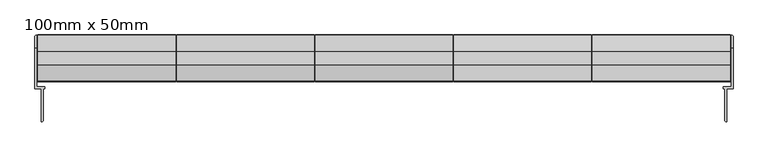
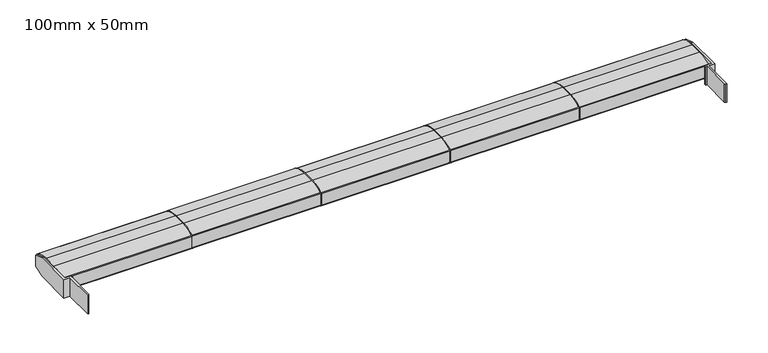
"""IFC4 building model written with IfcOpenShell, lengths in millimetres: plate geometry, 100mm x 50mm."""

import ifcopenshell
import ifcopenshell.guid

model = None  # the IFC model being written
_history = None  # IfcOwnerHistory: only IFC2X3 demands one
_inside = {}  # id of a spatial element -> (the spatial element, [elements in it])
_under = {}  # id of a project, library or spatial element -> (it, [spatial elements below it])
_declared = {}  # id of a project -> (the project, [libraries it declares])
_typed = {}  # id of a type object -> (the type object, [elements of that type])
_made_of = {}  # id of a material, layer set ... -> (it, [elements and type objects made of it])


def new_model(schema):
    """Start an empty IFC model of exactly this schema.

    Asked for "IFC4X3", IfcOpenShell would pick the latest addendum, in which some entities
    have other attributes; the version numbers below select the first issue.
    IFC2X3 requires an IfcOwnerHistory on every rooted entity: one is made here for all.
    """
    global model, _history
    if schema == "IFC4X3":
        model = ifcopenshell.file(schema_version=(4, 3, 0, 0))
    else:
        model = ifcopenshell.file(schema=schema)
    _inside.clear()
    _under.clear()
    _declared.clear()
    _typed.clear()
    _made_of.clear()
    _history = None
    if model.schema == "IFC2X3":
        org = make("IfcOrganization", Name="unknown")
        user = make(
            "IfcPersonAndOrganization",
            ThePerson=make("IfcPerson", FamilyName="unknown"),
            TheOrganization=org,
        )
        app = make(
            "IfcApplication",
            ApplicationDeveloper=org,
            Version="unknown",
            ApplicationFullName="unknown",
            ApplicationIdentifier="unknown",
        )
        _history = make(
            "IfcOwnerHistory",
            OwningUser=user,
            OwningApplication=app,
            ChangeAction="ADDED",
            CreationDate=0,
        )
    return model


def make(cls, **values):
    """One entity of the class cls with the attributes given. An attribute that is None is left unset."""
    return model.create_entity(
        cls, **{name: value for name, value in values.items() if value is not None}
    )


def rooted(cls, **values):
    """An entity with a GlobalId (a new one), such as an element, a storey or a relation."""
    return make(cls, GlobalId=ifcopenshell.guid.new(), OwnerHistory=_history, **values)


def si_unit(unit_type, name, prefix=None):
    """IfcSIUnit, for example si_unit("LENGTHUNIT", "METRE", prefix="MILLI")."""
    return make("IfcSIUnit", UnitType=unit_type, Prefix=prefix, Name=name)


def assignment(units):
    """IfcUnitAssignment: the units of a project."""
    return None if units is None else make("IfcUnitAssignment", Units=units)


def point(xyz):
    """IfcCartesianPoint."""
    return None if xyz is None else make("IfcCartesianPoint", Coordinates=xyz)


def direction(xyz):
    """IfcDirection."""
    return None if xyz is None else make("IfcDirection", DirectionRatios=xyz)


def frame(location, z_axis=None, x_axis=None):
    """IfcAxis2Placement3D, a coordinate frame: its origin and axes. An axis left out is left unset."""
    return make(
        "IfcAxis2Placement3D",
        Location=point(location),
        Axis=direction(z_axis),
        RefDirection=direction(x_axis),
    )


def frame_2d(location, x_axis=None):
    """IfcAxis2Placement2D, a coordinate frame in the plane: its origin and x axis."""
    return make(
        "IfcAxis2Placement2D", Location=point(location), RefDirection=direction(x_axis)
    )


def origin():
    """The frame at (0, 0, 0) with its axes left unset."""
    return frame((0.0, 0.0, 0.0))


def place(relative_to, where):
    """IfcLocalPlacement: puts the frame where relative to a parent placement (None: the world)."""
    return make(
        "IfcLocalPlacement", PlacementRelTo=relative_to, RelativePlacement=where
    )


def context(
    kind, dimensions, precision=None, world=None, true_north=None, identifier=None
):
    """IfcGeometricRepresentationContext, for example the 3D "Model" context."""
    return make(
        "IfcGeometricRepresentationContext",
        ContextIdentifier=identifier,
        ContextType=kind,
        CoordinateSpaceDimension=dimensions,
        Precision=precision,
        WorldCoordinateSystem=world,
        TrueNorth=true_north,
    )


def project(units=None, contexts=None):
    """IfcProject with its units and contexts."""
    return rooted(
        "IfcProject",
        Name="project",
        RepresentationContexts=contexts,
        UnitsInContext=assignment(units),
    )


def spatial(cls, under=None, at=None, **own):
    """A site, building, storey or space (cls), placed at a placement, below another one or the project."""
    s = rooted(cls, ObjectPlacement=at, **own)
    if under is not None:
        _under.setdefault(under.id(), (under, []))[1].append(s)
    return s


def polyline(points):
    """IfcPolyline through the points."""
    return make("IfcPolyline", Points=[point(p) for p in points])


def circle_curve(where, radius):
    """IfcCircle in the frame where."""
    return make("IfcCircle", Position=where, Radius=radius)


def trimmed(basis, trim1, trim2, sense, master):
    """IfcTrimmedCurve: the piece of a basis curve between two trims."""
    return make(
        "IfcTrimmedCurve",
        BasisCurve=basis,
        Trim1=trim1,
        Trim2=trim2,
        SenseAgreement=sense,
        MasterRepresentation=master,
    )


def segment(curve, same_sense, transition):
    """IfcCompositeCurveSegment."""
    return make(
        "IfcCompositeCurveSegment",
        Transition=transition,
        SameSense=same_sense,
        ParentCurve=curve,
    )


def composite_curve(segments, self_intersect=None):
    """IfcCompositeCurve: segments joined end to end."""
    return make("IfcCompositeCurve", Segments=segments, SelfIntersect=self_intersect)


def outline(outer, holes=None, kind="AREA"):
    """IfcArbitraryClosedProfileDef: a profile drawn as a closed curve; with holes, ...WithVoids."""
    if holes is None:
        return make("IfcArbitraryClosedProfileDef", ProfileType=kind, OuterCurve=outer)
    return make(
        "IfcArbitraryProfileDefWithVoids",
        ProfileType=kind,
        OuterCurve=outer,
        InnerCurves=holes,
    )


def extrude(swept, where, along, depth):
    """IfcExtrudedAreaSolid: the profile swept, set in the frame where, extruded along a direction by depth."""
    return make(
        "IfcExtrudedAreaSolid",
        SweptArea=swept,
        Position=where,
        ExtrudedDirection=direction(along),
        Depth=depth,
    )


def faces_of(points, faces, orient=None, outer=None):
    """IfcFace entities. A face is a list of loops; a loop is a list of indices into points, from 0.

    orient and outer hold one flag for each loop. By default every Orientation is true, the
    first loop of a face is its IfcFaceOuterBound and the others are IfcFaceBound.
    """
    made = []
    for i, loops in enumerate(faces):
        bounds = []
        for j, loop in enumerate(loops):
            is_outer = j == 0 if outer is None else outer[i][j]
            bounds.append(
                make(
                    "IfcFaceOuterBound" if is_outer else "IfcFaceBound",
                    Bound=make("IfcPolyLoop", Polygon=[points[k] for k in loop]),
                    Orientation=True if orient is None else orient[i][j],
                )
            )
        made.append(make("IfcFace", Bounds=bounds))
    return made


def faceted_brep(points, faces, orient=None, outer=None, voids=None):
    """IfcFacetedBrep: a solid bounded by flat faces; with voids (closed shells), ...WithVoids."""
    shared = [point(p) for p in points]
    hull = make("IfcClosedShell", CfsFaces=faces_of(shared, faces, orient, outer))
    if voids is None:
        return make("IfcFacetedBrep", Outer=hull)
    return make(
        "IfcFacetedBrepWithVoids",
        Outer=hull,
        Voids=[
            make(cls, CfsFaces=faces_of(shared, fs, o, b)) for cls, fs, o, b in voids
        ],
    )


def shape(context_of_items, identifier, shape_type, items):
    """IfcShapeRepresentation: the items that make up one representation, for example the "Body"."""
    return make(
        "IfcShapeRepresentation",
        ContextOfItems=context_of_items,
        RepresentationIdentifier=identifier,
        RepresentationType=shape_type,
        Items=items,
    )


def source(mapping_origin, context_of_items, identifier, shape_type, items):
    """IfcRepresentationMap: a shape defined once, which mapped items show again and again."""
    return make(
        "IfcRepresentationMap",
        MappingOrigin=mapping_origin,
        MappedRepresentation=shape(context_of_items, identifier, shape_type, items),
    )


def transform(
    local_origin,
    x_axis=None,
    y_axis=None,
    z_axis=None,
    scale=None,
    scale2=None,
    scale3=None,
    uniform=True,
):
    """IfcCartesianTransformationOperator3D, or its non-uniform kind. x_axis, y_axis, z_axis: its Axis1, 2, 3."""
    if uniform:
        return make(
            "IfcCartesianTransformationOperator3D",
            Axis1=direction(x_axis),
            Axis2=direction(y_axis),
            LocalOrigin=point(local_origin),
            Scale=scale,
            Axis3=direction(z_axis),
        )
    return make(
        "IfcCartesianTransformationOperator3DnonUniform",
        Axis1=direction(x_axis),
        Axis2=direction(y_axis),
        LocalOrigin=point(local_origin),
        Scale=scale,
        Axis3=direction(z_axis),
        Scale2=scale2,
        Scale3=scale3,
    )


def mapped(mapping_source, mapping_target):
    """IfcMappedItem: shows the shape of a source again, moved by a transform."""
    return make(
        "IfcMappedItem", MappingSource=mapping_source, MappingTarget=mapping_target
    )


def made_of(thing, what):
    """Note that an element or type object is made of a material, layer set ...; save() writes the relation."""
    if what is not None:
        _made_of.setdefault(what.id(), (what, []))[1].append(thing)
    return thing


def element(
    cls,
    number,
    at=None,
    inside=None,
    cuts=None,
    type_object=None,
    material=None,
    context=None,
    identifier="Body",
    shape_type=None,
    held_by="IfcProductDefinitionShape",
    body=None,
    shapes=None,
    **own,
):
    """One element of the class cls, such as IfcWall. Its Tag is "e" and its number.

    at: its placement. inside: the storey or other place that contains it. cuts: it is an
    opening in that element (IfcRelVoidsElement). A single representation is given by context,
    identifier, shape_type and body (its items); several are given by shapes. held_by: the class
    of the entity that holds the representations. save() writes the other relations.
    """
    e = rooted(cls, Tag="e%d" % number, ObjectPlacement=at, **own)
    if body is not None:
        shapes = [shape(context, identifier, shape_type, body)]
    if shapes is not None:
        e.Representation = make(held_by, Representations=shapes)
    if inside is not None:
        _inside.setdefault(inside.id(), (inside, []))[1].append(e)
    if cuts is not None:
        rooted(
            "IfcRelVoidsElement", RelatingBuildingElement=cuts, RelatedOpeningElement=e
        )
    if type_object is not None:
        _typed.setdefault(type_object.id(), (type_object, []))[1].append(e)
    return made_of(e, material)


def aggregate(whole, parts):
    """IfcRelAggregates: a whole, such as a stair, and the parts it consists of."""
    return rooted("IfcRelAggregates", RelatingObject=whole, RelatedObjects=parts)


def save(model, path):
    """Write the relations noted so far, then the file.

    IfcRelAggregates (storeys below a building ...), IfcRelContainedInSpatialStructure (elements
    in a storey), IfcRelDefinesByType, IfcRelAssociatesMaterial and IfcRelDeclares: one each for
    every whole, place, type object, material and project.
    """
    for whole, parts in _under.values():
        aggregate(whole, parts)
    for where, things in _inside.values():
        rooted(
            "IfcRelContainedInSpatialStructure",
            RelatedElements=things,
            RelatingStructure=where,
        )
    for kind, things in _typed.values():
        rooted("IfcRelDefinesByType", RelatedObjects=things, RelatingType=kind)
    for what, things in _made_of.values():
        rooted("IfcRelAssociatesMaterial", RelatedObjects=things, RelatingMaterial=what)
    for by, libraries in _declared.values():
        rooted("IfcRelDeclares", RelatingContext=by, RelatedDefinitions=libraries)
    model.write(path)


def plate_100mm_x_50mm_411dbc1b(model_context):
    return source(origin(), model_context, "Body", "SolidModel", [
        faceted_brep([(-746.0000001, 106.7422404, 20.7316945), (-746.0000001, 193.3258824, 20.7316945), (-742.0000001, 193.3258824, 20.7316945), (-742.0000001, 110.7422404, 20.7316945), (-725.5000001, 110.7422404, 20.7316945), (-725.5000001, 106.7422404, 20.7316945), (-728.5000001, 106.7422404, 20.7316945), (-728.5000001, 37.7422404, 20.7316945), (-730.5000001, 35.7422404, 20.7316945), (-732.5000001, 35.7422404, 20.7316945), (-732.5000001, 106.7422404, 20.7316945), (-742.0000001, 110.7422404, 65.7316945), (-742.0000001, 193.3258824, 65.7316945), (-746.0000001, 193.3258824, 65.7316945), (-746.0000001, 106.7422404, 65.7316945), (-732.5000001, 106.7422404, 65.7316945), (-732.5000001, 35.7422404, 65.7316945), (-730.5000001, 35.7422404, 65.7316945), (-728.5000001, 37.7422404, 65.7316945), (-728.5000001, 106.7422404, 65.7316945), (-725.5000001, 106.7422404, 65.7316945), (-725.5000001, 110.7422404, 65.7316945), (-746.0000001, 218.7422404, 56.9247114), (-746.0000001, 218.7422404, 29.5386776), (-742.0000001, 220.7422404, 30.2316945), (-742.0000001, 220.7422404, 56.2316945), (-744.0000001, 220.7422404, 30.2316945), (-744.0000001, 220.7422404, 56.2316945)], [[[0, 1, 2, 3, 4, 5, 6, 7, 8, 9, 10]], [[11, 12, 13, 14, 15, 16, 17, 18, 19, 20, 21]], [[14, 13, 22, 23, 1, 0]], [[10, 15, 14, 0]], [[9, 16, 15, 10]], [[8, 17, 16, 9]], [[7, 18, 17, 8]], [[6, 19, 18, 7]], [[5, 20, 19, 6]], [[4, 21, 20, 5]], [[3, 11, 21, 4]], [[3, 2, 24, 25, 12, 11]], [[24, 26, 27, 25]], [[22, 27, 26, 23]], [[12, 25, 27, 22, 13]], [[1, 23, 26, 24, 2]]]),
        faceted_brep([(746.0000001, 106.7422404, 20.7316945), (732.5000001, 106.7422404, 20.7316945), (732.5000001, 35.7422404, 20.7316945), (730.5000001, 35.7422404, 20.7316945), (728.5000001, 37.7422404, 20.7316945), (728.5000001, 106.7422404, 20.7316945), (725.5000001, 106.7422404, 20.7316945), (725.5000001, 110.7422404, 20.7316945), (742.0000001, 110.7422404, 20.7316945), (742.0000001, 193.3258824, 20.7316945), (746.0000001, 193.3258824, 20.7316945), (742.0000001, 110.7422404, 65.7316945), (725.5000001, 110.7422404, 65.7316945), (725.5000001, 106.7422404, 65.7316945), (728.5000001, 106.7422404, 65.7316945), (728.5000001, 37.7422404, 65.7316945), (730.5000001, 35.7422404, 65.7316945), (732.5000001, 35.7422404, 65.7316945), (732.5000001, 106.7422404, 65.7316945), (746.0000001, 106.7422404, 65.7316945), (746.0000001, 193.3258824, 65.7316945), (742.0000001, 193.3258824, 65.7316945), (746.0000001, 218.7422404, 29.5386776), (746.0000001, 218.7422404, 56.9247114), (742.0000001, 220.7422404, 56.2316945), (742.0000001, 220.7422404, 30.2316945), (744.0000001, 220.7422404, 56.2316945), (744.0000001, 220.7422404, 30.2316945)], [[[0, 1, 2, 3, 4, 5, 6, 7, 8, 9, 10]], [[11, 12, 13, 14, 15, 16, 17, 18, 19, 20, 21]], [[19, 0, 10, 22, 23, 20]], [[1, 0, 19, 18]], [[2, 1, 18, 17]], [[3, 2, 17, 16]], [[4, 3, 16, 15]], [[5, 4, 15, 14]], [[6, 5, 14, 13]], [[7, 6, 13, 12]], [[8, 7, 12, 11]], [[8, 11, 21, 24, 25, 9]], [[25, 24, 26, 27]], [[23, 22, 27, 26]], [[21, 20, 23, 26, 24]], [[10, 9, 25, 27, 22]]]),
        extrude(outline(composite_curve([segment(trimmed(circle_curve(frame_2d((186.7, -1.4683055)), 67.5), [point((186.7, 66.0316945))], [point((220.7076336, 56.8389055))], False, "CARTESIAN"), True, "CONTINUOUS"), segment(trimmed(circle_curve(frame_2d((219.7, 55.1112845)), 2.0), [point((220.7076336, 56.8389055))], [point((221.7, 55.1112845))], False, "CARTESIAN"), True, "CONTINUOUS"), segment(polyline([(221.7, 55.1112845), (221.7, 26.9521046)]), True, "CONTINUOUS"), segment(trimmed(circle_curve(frame_2d((219.7, 26.9521046)), 2.0), [point((221.7, 26.9521046))], [point((220.7076336, 25.2244835))], False, "CARTESIAN"), True, "CONTINUOUS"), segment(trimmed(circle_curve(frame_2d((186.7, 83.5316945)), 67.5), [point((220.7076336, 25.2244835))], [point((186.7, 16.0316945))], False, "CARTESIAN"), True, "CONTINUOUS"), segment(polyline([(186.7, 16.0316945), (156.7, 16.0316945)]), True, "CONTINUOUS"), segment(trimmed(circle_curve(frame_2d((156.7, 83.5316945)), 67.5), [point((156.7, 16.0316945))], [point((122.6923664, 25.2244835))], False, "CARTESIAN"), True, "CONTINUOUS"), segment(trimmed(circle_curve(frame_2d((123.7, 26.9521046)), 2.0), [point((122.6923664, 25.2244835))], [point((121.7, 26.9521046))], False, "CARTESIAN"), True, "CONTINUOUS"), segment(polyline([(121.7, 26.9521046), (121.7, 55.1112845)]), True, "CONTINUOUS"), segment(trimmed(circle_curve(frame_2d((123.7, 55.1112845)), 2.0), [point((121.7, 55.1112845))], [point((122.6923664, 56.8389055))], False, "CARTESIAN"), True, "CONTINUOUS"), segment(trimmed(circle_curve(frame_2d((156.7, -1.4683055)), 67.5), [point((122.6923664, 56.8389055))], [point((156.7, 66.0316945))], False, "CARTESIAN"), True, "CONTINUOUS"), segment(polyline([(156.7, 66.0316945), (186.7, 66.0316945)]), True, "CONTINUOUS")], self_intersect=False), holes=[composite_curve([segment(polyline([(146.7, 26.8836478), (146.7, 55.1797412)]), True, "CONTINUOUS"), segment(trimmed(circle_curve(frame_2d((171.7, -52.9683055)), 111.0), [point((146.7, 55.1797412))], [point((130.7, 50.1820702))], True, "CARTESIAN"), True, "CONTINUOUS"), segment(polyline([(130.7, 50.1820702), (130.7, 31.8813188)]), True, "CONTINUOUS"), segment(trimmed(circle_curve(frame_2d((171.7, 135.0316945)), 111.0), [point((130.7, 31.8813188))], [point((146.7, 26.8836478))], True, "CARTESIAN"), True, "CONTINUOUS")], self_intersect=False), polyline([(186.7, 26.0316945), (186.7, 56.0316945), (156.7, 56.0316945), (156.7, 26.0316945), (186.7, 26.0316945)]), composite_curve([segment(trimmed(circle_curve(frame_2d((171.7, 135.0316945)), 111.0), [point((196.7, 26.8836478))], [point((212.7, 31.8813188))], True, "CARTESIAN"), True, "CONTINUOUS"), segment(polyline([(212.7, 31.8813188), (212.7, 50.1820702)]), True, "CONTINUOUS"), segment(trimmed(circle_curve(frame_2d((171.7, -52.9683055)), 111.0), [point((212.7, 50.1820702))], [point((196.7, 55.1797412))], True, "CARTESIAN"), True, "CONTINUOUS"), segment(polyline([(196.7, 55.1797412), (196.7, 26.8836478)]), True, "CONTINUOUS")], self_intersect=False)]), frame((445.0, 0.0, 0.0), z_axis=(1.0, 0.0, 0.0), x_axis=(0.0, 1.0, 0.0)), (0.0, 0.0, 1.0), 295.0),
        extrude(outline(composite_curve([segment(trimmed(circle_curve(frame_2d((186.7, -1.4683055)), 67.5), [point((186.7, 66.0316945))], [point((220.7076336, 56.8389055))], False, "CARTESIAN"), True, "CONTINUOUS"), segment(trimmed(circle_curve(frame_2d((219.7, 55.1112845)), 2.0), [point((220.7076336, 56.8389055))], [point((221.7, 55.1112845))], False, "CARTESIAN"), True, "CONTINUOUS"), segment(polyline([(221.7, 55.1112845), (221.7, 26.9521046)]), True, "CONTINUOUS"), segment(trimmed(circle_curve(frame_2d((219.7, 26.9521046)), 2.0), [point((221.7, 26.9521046))], [point((220.7076336, 25.2244835))], False, "CARTESIAN"), True, "CONTINUOUS"), segment(trimmed(circle_curve(frame_2d((186.7, 83.5316945)), 67.5), [point((220.7076336, 25.2244835))], [point((186.7, 16.0316945))], False, "CARTESIAN"), True, "CONTINUOUS"), segment(polyline([(186.7, 16.0316945), (156.7, 16.0316945)]), True, "CONTINUOUS"), segment(trimmed(circle_curve(frame_2d((156.7, 83.5316945)), 67.5), [point((156.7, 16.0316945))], [point((122.6923664, 25.2244835))], False, "CARTESIAN"), True, "CONTINUOUS"), segment(trimmed(circle_curve(frame_2d((123.7, 26.9521046)), 2.0), [point((122.6923664, 25.2244835))], [point((121.7, 26.9521046))], False, "CARTESIAN"), True, "CONTINUOUS"), segment(polyline([(121.7, 26.9521046), (121.7, 55.1112845)]), True, "CONTINUOUS"), segment(trimmed(circle_curve(frame_2d((123.7, 55.1112845)), 2.0), [point((121.7, 55.1112845))], [point((122.6923664, 56.8389055))], False, "CARTESIAN"), True, "CONTINUOUS"), segment(trimmed(circle_curve(frame_2d((156.7, -1.4683055)), 67.5), [point((122.6923664, 56.8389055))], [point((156.7, 66.0316945))], False, "CARTESIAN"), True, "CONTINUOUS"), segment(polyline([(156.7, 66.0316945), (186.7, 66.0316945)]), True, "CONTINUOUS")], self_intersect=False), holes=[composite_curve([segment(polyline([(146.7, 26.8836478), (146.7, 55.1797412)]), True, "CONTINUOUS"), segment(trimmed(circle_curve(frame_2d((171.7, -52.9683055)), 111.0), [point((146.7, 55.1797412))], [point((130.7, 50.1820702))], True, "CARTESIAN"), True, "CONTINUOUS"), segment(polyline([(130.7, 50.1820702), (130.7, 31.8813188)]), True, "CONTINUOUS"), segment(trimmed(circle_curve(frame_2d((171.7, 135.0316945)), 111.0), [point((130.7, 31.8813188))], [point((146.7, 26.8836478))], True, "CARTESIAN"), True, "CONTINUOUS")], self_intersect=False), polyline([(186.7, 26.0316945), (186.7, 56.0316945), (156.7, 56.0316945), (156.7, 26.0316945), (186.7, 26.0316945)]), composite_curve([segment(trimmed(circle_curve(frame_2d((171.7, 135.0316945)), 111.0), [point((196.7, 26.8836478))], [point((212.7, 31.8813188))], True, "CARTESIAN"), True, "CONTINUOUS"), segment(polyline([(212.7, 31.8813188), (212.7, 50.1820702)]), True, "CONTINUOUS"), segment(trimmed(circle_curve(frame_2d((171.7, -52.9683055)), 111.0), [point((212.7, 50.1820702))], [point((196.7, 55.1797412))], True, "CARTESIAN"), True, "CONTINUOUS"), segment(polyline([(196.7, 55.1797412), (196.7, 26.8836478)]), True, "CONTINUOUS")], self_intersect=False)]), frame((148.9999998, 0.0, 0.0), z_axis=(1.0, 0.0, 0.0), x_axis=(0.0, 1.0, 0.0)), (0.0, 0.0, 1.0), 294.0000001),
        extrude(outline(composite_curve([segment(trimmed(circle_curve(frame_2d((186.7, -1.4683055)), 67.5), [point((186.7, 66.0316945))], [point((220.7076336, 56.8389055))], False, "CARTESIAN"), True, "CONTINUOUS"), segment(trimmed(circle_curve(frame_2d((219.7, 55.1112845)), 2.0), [point((220.7076336, 56.8389055))], [point((221.7, 55.1112845))], False, "CARTESIAN"), True, "CONTINUOUS"), segment(polyline([(221.7, 55.1112845), (221.7, 26.9521046)]), True, "CONTINUOUS"), segment(trimmed(circle_curve(frame_2d((219.7, 26.9521046)), 2.0), [point((221.7, 26.9521046))], [point((220.7076336, 25.2244835))], False, "CARTESIAN"), True, "CONTINUOUS"), segment(trimmed(circle_curve(frame_2d((186.7, 83.5316945)), 67.5), [point((220.7076336, 25.2244835))], [point((186.7, 16.0316945))], False, "CARTESIAN"), True, "CONTINUOUS"), segment(polyline([(186.7, 16.0316945), (156.7, 16.0316945)]), True, "CONTINUOUS"), segment(trimmed(circle_curve(frame_2d((156.7, 83.5316945)), 67.5), [point((156.7, 16.0316945))], [point((122.6923664, 25.2244835))], False, "CARTESIAN"), True, "CONTINUOUS"), segment(trimmed(circle_curve(frame_2d((123.7, 26.9521046)), 2.0), [point((122.6923664, 25.2244835))], [point((121.7, 26.9521046))], False, "CARTESIAN"), True, "CONTINUOUS"), segment(polyline([(121.7, 26.9521046), (121.7, 55.1112845)]), True, "CONTINUOUS"), segment(trimmed(circle_curve(frame_2d((123.7, 55.1112845)), 2.0), [point((121.7, 55.1112845))], [point((122.6923664, 56.8389055))], False, "CARTESIAN"), True, "CONTINUOUS"), segment(trimmed(circle_curve(frame_2d((156.7, -1.4683055)), 67.5), [point((122.6923664, 56.8389055))], [point((156.7, 66.0316945))], False, "CARTESIAN"), True, "CONTINUOUS"), segment(polyline([(156.7, 66.0316945), (186.7, 66.0316945)]), True, "CONTINUOUS")], self_intersect=False), holes=[composite_curve([segment(polyline([(146.7, 26.8836478), (146.7, 55.1797412)]), True, "CONTINUOUS"), segment(trimmed(circle_curve(frame_2d((171.7, -52.9683055)), 111.0), [point((146.7, 55.1797412))], [point((130.7, 50.1820702))], True, "CARTESIAN"), True, "CONTINUOUS"), segment(polyline([(130.7, 50.1820702), (130.7, 31.8813188)]), True, "CONTINUOUS"), segment(trimmed(circle_curve(frame_2d((171.7, 135.0316945)), 111.0), [point((130.7, 31.8813188))], [point((146.7, 26.8836478))], True, "CARTESIAN"), True, "CONTINUOUS")], self_intersect=False), polyline([(186.7, 26.0316945), (186.7, 56.0316945), (156.7, 56.0316945), (156.7, 26.0316945), (186.7, 26.0316945)]), composite_curve([segment(trimmed(circle_curve(frame_2d((171.7, 135.0316945)), 111.0), [point((196.7, 26.8836478))], [point((212.7, 31.8813188))], True, "CARTESIAN"), True, "CONTINUOUS"), segment(polyline([(212.7, 31.8813188), (212.7, 50.1820702)]), True, "CONTINUOUS"), segment(trimmed(circle_curve(frame_2d((171.7, -52.9683055)), 111.0), [point((212.7, 50.1820702))], [point((196.7, 55.1797412))], True, "CARTESIAN"), True, "CONTINUOUS"), segment(polyline([(196.7, 55.1797412), (196.7, 26.8836478)]), True, "CONTINUOUS")], self_intersect=False)]), frame((-146.9999999, 0.0, 0.0), z_axis=(1.0, 0.0, 0.0), x_axis=(0.0, 1.0, 0.0)), (0.0, 0.0, 1.0), 294.0),
        extrude(outline(composite_curve([segment(trimmed(circle_curve(frame_2d((186.7, -1.4683055)), 67.5), [point((186.7, 66.0316945))], [point((220.7076336, 56.8389055))], False, "CARTESIAN"), True, "CONTINUOUS"), segment(trimmed(circle_curve(frame_2d((219.7, 55.1112845)), 2.0), [point((220.7076336, 56.8389055))], [point((221.7, 55.1112845))], False, "CARTESIAN"), True, "CONTINUOUS"), segment(polyline([(221.7, 55.1112845), (221.7, 26.9521046)]), True, "CONTINUOUS"), segment(trimmed(circle_curve(frame_2d((219.7, 26.9521046)), 2.0), [point((221.7, 26.9521046))], [point((220.7076336, 25.2244835))], False, "CARTESIAN"), True, "CONTINUOUS"), segment(trimmed(circle_curve(frame_2d((186.7, 83.5316945)), 67.5), [point((220.7076336, 25.2244835))], [point((186.7, 16.0316945))], False, "CARTESIAN"), True, "CONTINUOUS"), segment(polyline([(186.7, 16.0316945), (156.7, 16.0316945)]), True, "CONTINUOUS"), segment(trimmed(circle_curve(frame_2d((156.7, 83.5316945)), 67.5), [point((156.7, 16.0316945))], [point((122.6923664, 25.2244835))], False, "CARTESIAN"), True, "CONTINUOUS"), segment(trimmed(circle_curve(frame_2d((123.7, 26.9521046)), 2.0), [point((122.6923664, 25.2244835))], [point((121.7, 26.9521046))], False, "CARTESIAN"), True, "CONTINUOUS"), segment(polyline([(121.7, 26.9521046), (121.7, 55.1112845)]), True, "CONTINUOUS"), segment(trimmed(circle_curve(frame_2d((123.7, 55.1112845)), 2.0), [point((121.7, 55.1112845))], [point((122.6923664, 56.8389055))], False, "CARTESIAN"), True, "CONTINUOUS"), segment(trimmed(circle_curve(frame_2d((156.7, -1.4683055)), 67.5), [point((122.6923664, 56.8389055))], [point((156.7, 66.0316945))], False, "CARTESIAN"), True, "CONTINUOUS"), segment(polyline([(156.7, 66.0316945), (186.7, 66.0316945)]), True, "CONTINUOUS")], self_intersect=False), holes=[composite_curve([segment(polyline([(146.7, 26.8836478), (146.7, 55.1797412)]), True, "CONTINUOUS"), segment(trimmed(circle_curve(frame_2d((171.7, -52.9683055)), 111.0), [point((146.7, 55.1797412))], [point((130.7, 50.1820702))], True, "CARTESIAN"), True, "CONTINUOUS"), segment(polyline([(130.7, 50.1820702), (130.7, 31.8813188)]), True, "CONTINUOUS"), segment(trimmed(circle_curve(frame_2d((171.7, 135.0316945)), 111.0), [point((130.7, 31.8813188))], [point((146.7, 26.8836478))], True, "CARTESIAN"), True, "CONTINUOUS")], self_intersect=False), polyline([(186.7, 26.0316945), (186.7, 56.0316945), (156.7, 56.0316945), (156.7, 26.0316945), (186.7, 26.0316945)]), composite_curve([segment(trimmed(circle_curve(frame_2d((171.7, 135.0316945)), 111.0), [point((196.7, 26.8836478))], [point((212.7, 31.8813188))], True, "CARTESIAN"), True, "CONTINUOUS"), segment(polyline([(212.7, 31.8813188), (212.7, 50.1820702)]), True, "CONTINUOUS"), segment(trimmed(circle_curve(frame_2d((171.7, -52.9683055)), 111.0), [point((212.7, 50.1820702))], [point((196.7, 55.1797412))], True, "CARTESIAN"), True, "CONTINUOUS"), segment(polyline([(196.7, 55.1797412), (196.7, 26.8836478)]), True, "CONTINUOUS")], self_intersect=False)]), frame((-442.9999999, 0.0, 0.0), z_axis=(1.0, 0.0, 0.0), x_axis=(0.0, 1.0, 0.0)), (0.0, 0.0, 1.0), 294.0000001),
        extrude(outline(composite_curve([segment(trimmed(circle_curve(frame_2d((186.7, -1.4683055)), 67.5), [point((186.7, 66.0316945))], [point((220.7076336, 56.8389055))], False, "CARTESIAN"), True, "CONTINUOUS"), segment(trimmed(circle_curve(frame_2d((219.7, 55.1112845)), 2.0), [point((220.7076336, 56.8389055))], [point((221.7, 55.1112845))], False, "CARTESIAN"), True, "CONTINUOUS"), segment(polyline([(221.7, 55.1112845), (221.7, 26.9521046)]), True, "CONTINUOUS"), segment(trimmed(circle_curve(frame_2d((219.7, 26.9521046)), 2.0), [point((221.7, 26.9521046))], [point((220.7076336, 25.2244835))], False, "CARTESIAN"), True, "CONTINUOUS"), segment(trimmed(circle_curve(frame_2d((186.7, 83.5316945)), 67.5), [point((220.7076336, 25.2244835))], [point((186.7, 16.0316945))], False, "CARTESIAN"), True, "CONTINUOUS"), segment(polyline([(186.7, 16.0316945), (156.7, 16.0316945)]), True, "CONTINUOUS"), segment(trimmed(circle_curve(frame_2d((156.7, 83.5316945)), 67.5), [point((156.7, 16.0316945))], [point((122.6923664, 25.2244835))], False, "CARTESIAN"), True, "CONTINUOUS"), segment(trimmed(circle_curve(frame_2d((123.7, 26.9521046)), 2.0), [point((122.6923664, 25.2244835))], [point((121.7, 26.9521046))], False, "CARTESIAN"), True, "CONTINUOUS"), segment(polyline([(121.7, 26.9521046), (121.7, 55.1112845)]), True, "CONTINUOUS"), segment(trimmed(circle_curve(frame_2d((123.7, 55.1112845)), 2.0), [point((121.7, 55.1112845))], [point((122.6923664, 56.8389055))], False, "CARTESIAN"), True, "CONTINUOUS"), segment(trimmed(circle_curve(frame_2d((156.7, -1.4683055)), 67.5), [point((122.6923664, 56.8389055))], [point((156.7, 66.0316945))], False, "CARTESIAN"), True, "CONTINUOUS"), segment(polyline([(156.7, 66.0316945), (186.7, 66.0316945)]), True, "CONTINUOUS")], self_intersect=False), holes=[composite_curve([segment(polyline([(146.7, 26.8836478), (146.7, 55.1797412)]), True, "CONTINUOUS"), segment(trimmed(circle_curve(frame_2d((171.7, -52.9683055)), 111.0), [point((146.7, 55.1797412))], [point((130.7, 50.1820702))], True, "CARTESIAN"), True, "CONTINUOUS"), segment(polyline([(130.7, 50.1820702), (130.7, 31.8813188)]), True, "CONTINUOUS"), segment(trimmed(circle_curve(frame_2d((171.7, 135.0316945)), 111.0), [point((130.7, 31.8813188))], [point((146.7, 26.8836478))], True, "CARTESIAN"), True, "CONTINUOUS")], self_intersect=False), polyline([(186.7, 26.0316945), (186.7, 56.0316945), (156.7, 56.0316945), (156.7, 26.0316945), (186.7, 26.0316945)]), composite_curve([segment(trimmed(circle_curve(frame_2d((171.7, 135.0316945)), 111.0), [point((196.7, 26.8836478))], [point((212.7, 31.8813188))], True, "CARTESIAN"), True, "CONTINUOUS"), segment(polyline([(212.7, 31.8813188), (212.7, 50.1820702)]), True, "CONTINUOUS"), segment(trimmed(circle_curve(frame_2d((171.7, -52.9683055)), 111.0), [point((212.7, 50.1820702))], [point((196.7, 55.1797412))], True, "CARTESIAN"), True, "CONTINUOUS"), segment(polyline([(196.7, 55.1797412), (196.7, 26.8836478)]), True, "CONTINUOUS")], self_intersect=False)]), frame((-739.9999999, 0.0, 0.0), z_axis=(1.0, 0.0, 0.0), x_axis=(0.0, 1.0, 0.0)), (0.0, 0.0, 1.0), 295.0),
    ])


if __name__ == "__main__":
    model = new_model("IFC4")
    model_context = context("Model", 3, world=origin())
    ifc_project = project(units=[si_unit("LENGTHUNIT", "METRE", prefix="MILLI")], contexts=[model_context])
    site = spatial("IfcSite", under=ifc_project)
    building = spatial("IfcBuilding", under=site)
    placement = place(None, origin())
    plate_100mm_x_50mm_shape = plate_100mm_x_50mm_411dbc1b(model_context)
    element("IfcPlate", 1, ObjectType="100mm x 50mm", at=placement, inside=building, context=model_context, shape_type="MappedRepresentation", body=[
        mapped(plate_100mm_x_50mm_shape, transform((0.0, 0.0, 0.0), x_axis=(1.0, 0.0, 0.0), y_axis=(0.0, 1.0, 0.0), z_axis=(0.0, 0.0, 1.0))),
    ])
    save(model, "model.ifc")
